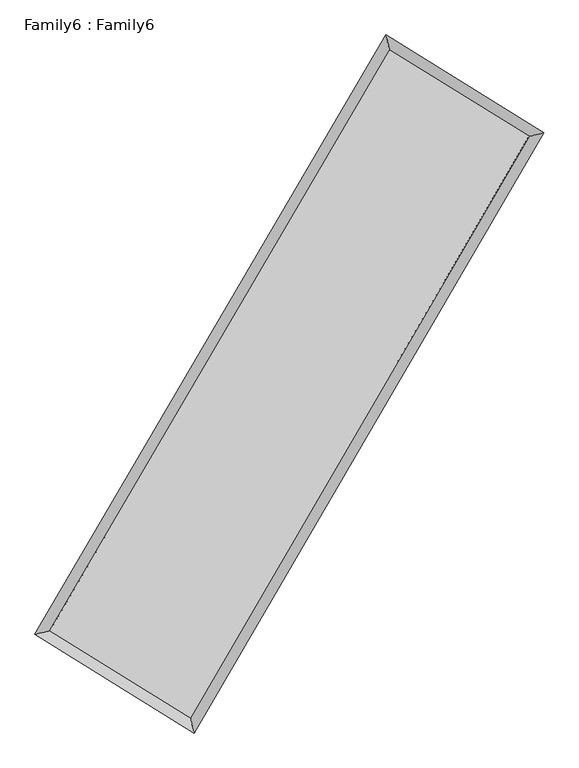
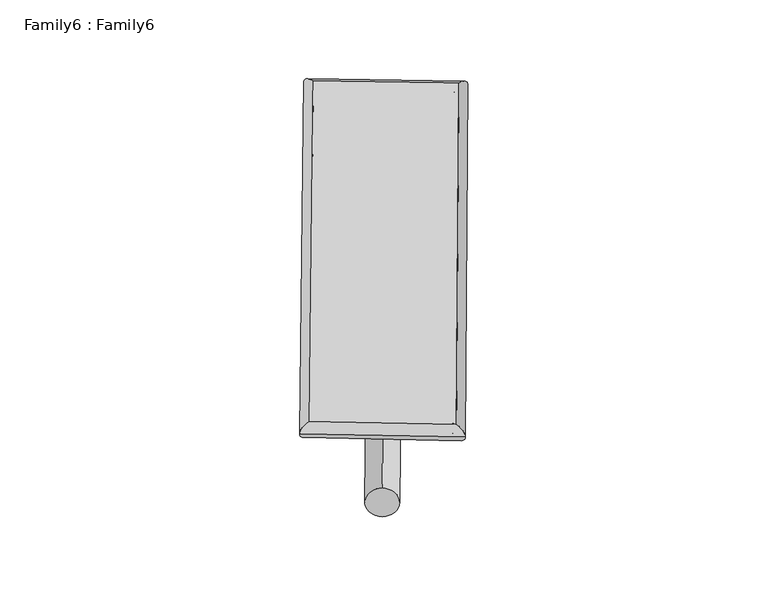
"""IFC4 building model written with IfcOpenShell, lengths in millimetres: plate geometry, Family6 : Family6."""

from ifc_helpers import new_model, si_unit, point, frame, origin, origin_2d, place, context, project, spatial, circle_curve, ellipse_curve, trimmed, segment, composite_curve, outline, extrude, source, transform, mapped, element, save
from ifc_brep_helpers import plane_surface, cylinder_surface, spline_surface, advanced_brep


def family6_family6_082266ac(model_context):
    return source(origin(), model_context, "Body", "SolidModel", [
        extrude(outline(composite_curve([segment(trimmed(circle_curve(origin_2d(), 76.2), [point((-75.4341514, -10.7763074))], [point((75.4341514, 10.7763074))], False, "CARTESIAN"), True, "CONTINUOUS"), segment(trimmed(circle_curve(origin_2d(), 76.2), [point((75.4341514, 10.7763074))], [point((-75.4341514, -10.7763074))], False, "CARTESIAN"), True, "CONTINUOUS")], self_intersect=False)), frame((9144.0, 9144.0, 0.0), z_axis=(0.6704645338929235, 0.6890736693438907, 0.2750541528657424), x_axis=(-0.6811689693926333, 0.7186291990177176, -0.13993180287458434)), (0.0, 0.0, 1.0), 5546.9717942),
        extrude(outline(composite_curve([segment(trimmed(circle_curve(origin_2d(), 76.2), [point((-53.8815367, 53.8815367))], [point((53.8815367, -53.8815367))], False, "CARTESIAN"), True, "CONTINUOUS"), segment(trimmed(circle_curve(origin_2d(), 76.2), [point((53.8815367, -53.8815367))], [point((-53.8815367, 53.8815367))], False, "CARTESIAN"), True, "CONTINUOUS")], self_intersect=False)), frame((9144.0, 9144.0, 0.0), z_axis=(-0.6720601793332347, -0.6875404977406925, 0.27499668965473295), x_axis=(0.6428619502863064, -0.3574133146717902, 0.6774837528453435)), (0.0, 0.0, 1.0), 5548.2919337),
        extrude(outline(composite_curve([segment(trimmed(circle_curve(origin_2d(), 76.2), [point((-53.8815367, -53.8815367))], [point((53.8815367, 53.8815367))], False, "CARTESIAN"), True, "CONTINUOUS"), segment(trimmed(circle_curve(origin_2d(), 76.2), [point((53.8815367, 53.8815367))], [point((-53.8815367, -53.8815367))], False, "CARTESIAN"), True, "CONTINUOUS")], self_intersect=False)), frame((9144.0, 9144.0, 0.0), z_axis=(0.2741524847576048, 0.9226599496025092, 0.27118081145377265), x_axis=(-0.8396582076029175, 0.3671255878250892, -0.40024104883074973)), (0.0, 0.0, 1.0), 5602.3087591),
        extrude(outline(composite_curve([segment(trimmed(circle_curve(origin_2d(), 76.2), [point((-75.4341514, 10.7763074))], [point((75.4341514, -10.7763074))], False, "CARTESIAN"), True, "CONTINUOUS"), segment(trimmed(circle_curve(origin_2d(), 76.2), [point((75.4341514, -10.7763074))], [point((-75.4341514, 10.7763074))], False, "CARTESIAN"), True, "CONTINUOUS")], self_intersect=False)), frame((9144.0, 9144.0, 0.0), z_axis=(-0.2722572059776081, -0.9232895636449411, 0.27094721895158985), x_axis=(0.8794706340355575, -0.12452893285591708, 0.45937343061050145)), (0.0, 0.0, 1.0), 5607.6385907),
        advanced_brep(
        [(5208.5118182, 5278.0257181, 1525.2490452), (5208.5104377, 5278.0238579, 1526.3945112), (5621.9160379, 5380.6234865, 1526.2747848), (10732.5516114, 14101.4735863, 1519.9423677), (10627.222122, 14524.5782483, 1518.5349029), (5621.9174184, 5380.6253466, 1525.1293188), (12656.5321682, 12914.6037396, 1525.6521874), (13069.5635488, 13017.9406763, 1525.7830683), (7564.4161984, 4178.4656849, 1519.4944471), (7670.143772, 3754.5859402, 1519.2537149)],
        [
            (0, 1, ellipse_curve(frame((5415.213928, 5329.3246023, 1525.761915), z_axis=(-0.2408735983876415, 0.9705556430666737, 0.0012858115043535743), x_axis=(-0.9705533808776208, -0.24087597013161305, 0.002214019009431535)), 212.9754075, 152.4)),
            (1, 2, ellipse_curve(frame((5415.213928, 5329.3246023, 1525.761915), z_axis=(-0.2408735983876415, 0.9705556430666737, 0.0012858115043535743), x_axis=(-0.9705533808776208, -0.24087597013161305, 0.002214019009431535)), 212.9754075, 152.4)),
            (2, 3),
            (3, 4, ellipse_curve(frame((10679.8868667, 14313.0259173, 1519.2386353), z_axis=(-0.9703811118173631, -0.2415753553932419, -0.0013584898701551732), x_axis=(0.24157208585771706, -0.9703803733956434, 0.002204146747261714)), 218.0103472, 152.4)),
            (4, 0),
            (2, 5, ellipse_curve(frame((5415.213928, 5329.3246023, 1525.761915), z_axis=(-0.2408735983876415, 0.9705556430666737, 0.0012858115043535743), x_axis=(-0.9705533808776208, -0.24087597013161305, 0.002214019009431535)), 212.9754075, 152.4)),
            (5, 0, ellipse_curve(frame((5415.213928, 5329.3246023, 1525.761915), z_axis=(-0.2408735983876415, 0.9705556430666737, 0.0012858115043535743), x_axis=(-0.9705533808776208, -0.24087597013161305, 0.002214019009431535)), 212.9754075, 152.4)),
            (4, 3, ellipse_curve(frame((10679.8868667, 14313.0259173, 1519.2386353), z_axis=(-0.9703811118173631, -0.2415753553932419, -0.0013584898701551732), x_axis=(0.24157208585771706, -0.9703803733956434, 0.002204146747261714)), 218.0103472, 152.4)),
            (3, 6),
            (6, 7, ellipse_curve(frame((12863.0478585, 12966.272208, 1525.7176278), z_axis=(-0.24270984153755645, 0.9700980056348988, -0.0013387621170659677), x_axis=(-0.9700957012555255, -0.24271236293664863, -0.002244834795446088)), 212.8814859, 152.4)),
            (7, 4),
            (7, 6, ellipse_curve(frame((12863.0478585, 12966.272208, 1525.7176278), z_axis=(-0.24270984153755645, 0.9700980056348988, -0.0013387621170659677), x_axis=(-0.9700957012555255, -0.24271236293664863, -0.002244834795446088)), 212.8814859, 152.4)),
            (6, 8),
            (8, 9, ellipse_curve(frame((7617.2799852, 3966.5258126, 1519.374081), z_axis=(0.970271857488204, 0.24201394622182235, -0.0013313153387320609), x_axis=(-0.24201083025571318, 0.9702711735105305, 0.002146600437565913)), 218.4335872, 152.4)),
            (9, 7),
            (9, 8, ellipse_curve(frame((7617.2799852, 3966.5258126, 1519.374081), z_axis=(0.970271857488204, 0.24201394622182235, -0.0013313153387320609), x_axis=(-0.24201083025571318, 0.9702711735105305, 0.002146600437565913)), 218.4335872, 152.4)),
            (8, 5),
            (1, 9),
        ],
        [
            cylinder_surface(frame((5415.213928, 5329.3246023, 1525.761915), z_axis=(-0.5056025532579369, -0.8627662868169547, 0.0006264751706150306), x_axis=(-0.86276089333706, 0.5055965048720313, -0.003976831581074408)), 152.4),
            cylinder_surface(frame((10679.8868667, 14313.0259173, 1519.2386353), z_axis=(-0.8510860934983755, 0.5250200776143403, -0.002525778198186597), x_axis=(0.5250250386820153, 0.8510843504767059, -0.0020339937541293544)), 152.4),
            cylinder_surface(frame((12863.0478585, 12966.272208, 1525.7176278), z_axis=(0.5035783740232577, 0.8639493332258829, 0.0006089619402464085), x_axis=(0.8639495321769155, -0.5035783740232577, -0.00016452167354817686)), 152.4),
            cylinder_surface(frame((7617.2799852, 3966.5258126, 1519.374081), z_axis=(0.8503290812847539, -0.5262455406759469, -0.0024666657874356087), x_axis=(-0.5262426864187961, -0.8503326390600634, 0.0017429686964123127)), 152.4),
        ],
        [
            (0, [[1, 2, 3, 4, 5]]),
            (0, [[6, 7, -5, 8, -3]]),
            (1, [[-4, 9, 10, 11]]),
            (1, [[-8, -11, 12, -9]]),
            (2, [[-10, 13, 14, 15]]),
            (2, [[-12, -15, 16, -13]]),
            (3, [[-14, 17, -6, -2, 18]]),
            (3, [[-16, -18, -1, -7, -17]]),
        ],
    ),
        extrude(outline(composite_curve([segment(trimmed(circle_curve(origin_2d(), 304.8), [point((0.0, -304.8))], [point((0.0, 304.8))], False, "CARTESIAN"), True, "CONTINUOUS"), segment(trimmed(circle_curve(origin_2d(), 304.8), [point((0.0, 304.8))], [point((0.0, -304.8))], False, "CARTESIAN"), True, "CONTINUOUS")], self_intersect=False)), frame((6504.0114211, 4635.3174996, -0.0001524), z_axis=(0.505287508175315, 0.8629510612323159, 2.9174718254654656e-08), x_axis=(-0.8629510612323164, 0.505287508175315, 7.913047742037813e-09)), (0.0, 0.0, 1.0), 10449.4511982),
        advanced_brep(
        [(5415.213928, 5329.3246023, 1525.761915), (7617.2799852, 3966.5258126, 1519.374081), (7617.279897, 3966.5273678, 1671.774081), (5415.2138398, 5329.3261575, 1678.161915), (12863.0478585, 12966.272208, 1525.7176278), (12863.0477703, 12966.2737632, 1678.1176278), (10679.8868667, 14313.0259173, 1519.2386353), (10679.8867785, 14313.0274726, 1671.6386353)],
        [
            (0, 1),
            (1, 2),
            (2, 3),
            (3, 0),
            (1, 4),
            (4, 5),
            (5, 2),
            (4, 6),
            (6, 7),
            (7, 5),
            (6, 0),
            (3, 7),
        ],
        [
            plane_surface(frame((6516.2469566, 4647.9252074, 1522.567998), z_axis=(-0.526247124057036, -0.8503316790238911, 8.373104511397254e-06), x_axis=(0.8503290812847536, -0.5262455406759472, -0.0024666657874356087))),
            plane_surface(frame((10240.1639218, 8466.3990103, 1522.5458544), z_axis=(0.8639494916740417, -0.5035784703542879, 5.639207960191376e-06), x_axis=(0.5035783740232578, 0.8639493332258827, 0.0006089619402464082))),
            plane_surface(frame((11771.4673626, 13639.6490626, 1522.4781316), z_axis=(0.5250217703188079, 0.8510887971422575, -8.381540328313572e-06), x_axis=(-0.8510860934983755, 0.5250200776143406, -0.0025257781981865984))),
            plane_surface(frame((8047.5503974, 9821.1752598, 1522.5002752), z_axis=(-0.8627664579011541, 0.505602649408278, -5.659180119904053e-06), x_axis=(-0.5056025532579375, -0.8627662868169544, 0.0006264751706150287))),
            spline_surface(1, 1, [[(7617.279897, 3966.5273678, 1671.774081), (5415.2138398, 5329.3261575, 1678.161915)], [(12863.0477703, 12966.2737632, 1678.1176278), (10679.8867785, 14313.0274726, 1671.6386353)]], [2, 2], [2, 2], [0.0, 1.0], [0.0, 1.0]),
            spline_surface(1, 1, [[(10679.8868667, 14313.0259173, 1519.2386353), (5415.213928, 5329.3246023, 1525.761915)], [(12863.0478585, 12966.272208, 1525.7176278), (7617.2799852, 3966.5258126, 1519.374081)]], [2, 2], [2, 2], [0.0, 1.0], [0.0, 1.0]),
        ],
        [
            (0, [[1, 2, 3, 4]]),
            (1, [[5, 6, 7, -2]]),
            (2, [[8, 9, 10, -6]]),
            (3, [[11, -4, 12, -9]]),
            (4, [[-3, -7, -10, -12]]),
            (5, [[-11, -8, -5, -1]]),
        ],
    ),
    ])


if __name__ == "__main__":
    model = new_model("IFC4")
    model_context = context("Model", 3, world=origin())
    ifc_project = project(units=[si_unit("LENGTHUNIT", "METRE", prefix="MILLI")], contexts=[model_context])
    site = spatial("IfcSite", under=ifc_project)
    building = spatial("IfcBuilding", under=site)
    placement = place(None, origin())
    family6_family6_shape = family6_family6_082266ac(model_context)
    element("IfcPlate", 1, ObjectType="Family6 : Family6", at=placement, inside=building, context=model_context, shape_type="MappedRepresentation", body=[
        mapped(family6_family6_shape, transform((0.0, 0.0, 0.0), x_axis=(1.0, 0.0, 0.0), y_axis=(0.0, 1.0, 0.0), z_axis=(0.0, 0.0, 1.0))),
    ])
    save(model, "model.ifc")
